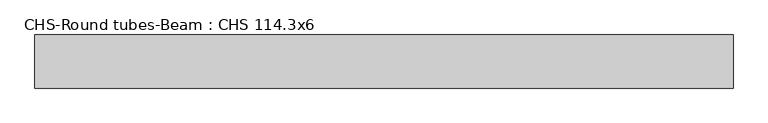
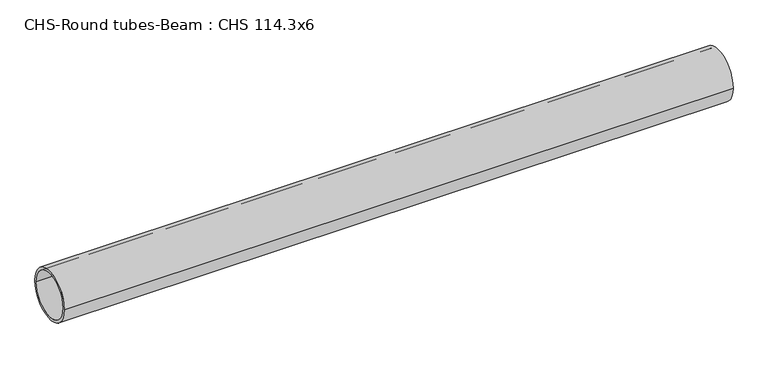
"""IFC4 building model written with IfcOpenShell, lengths in millimetres: beam geometry, CHS-Round tubes-Beam : CHS 114.3x6."""

import ifcopenshell
import ifcopenshell.guid

model = None  # the IFC model being written
_history = None  # IfcOwnerHistory: only IFC2X3 demands one
_inside = {}  # id of a spatial element -> (the spatial element, [elements in it])
_under = {}  # id of a project, library or spatial element -> (it, [spatial elements below it])
_declared = {}  # id of a project -> (the project, [libraries it declares])
_typed = {}  # id of a type object -> (the type object, [elements of that type])
_made_of = {}  # id of a material, layer set ... -> (it, [elements and type objects made of it])


def new_model(schema):
    """Start an empty IFC model of exactly this schema.

    Asked for "IFC4X3", IfcOpenShell would pick the latest addendum, in which some entities
    have other attributes; the version numbers below select the first issue.
    IFC2X3 requires an IfcOwnerHistory on every rooted entity: one is made here for all.
    """
    global model, _history
    if schema == "IFC4X3":
        model = ifcopenshell.file(schema_version=(4, 3, 0, 0))
    else:
        model = ifcopenshell.file(schema=schema)
    _inside.clear()
    _under.clear()
    _declared.clear()
    _typed.clear()
    _made_of.clear()
    _history = None
    if model.schema == "IFC2X3":
        org = make("IfcOrganization", Name="unknown")
        user = make(
            "IfcPersonAndOrganization",
            ThePerson=make("IfcPerson", FamilyName="unknown"),
            TheOrganization=org,
        )
        app = make(
            "IfcApplication",
            ApplicationDeveloper=org,
            Version="unknown",
            ApplicationFullName="unknown",
            ApplicationIdentifier="unknown",
        )
        _history = make(
            "IfcOwnerHistory",
            OwningUser=user,
            OwningApplication=app,
            ChangeAction="ADDED",
            CreationDate=0,
        )
    return model


def make(cls, **values):
    """One entity of the class cls with the attributes given. An attribute that is None is left unset."""
    return model.create_entity(
        cls, **{name: value for name, value in values.items() if value is not None}
    )


def rooted(cls, **values):
    """An entity with a GlobalId (a new one), such as an element, a storey or a relation."""
    return make(cls, GlobalId=ifcopenshell.guid.new(), OwnerHistory=_history, **values)


def si_unit(unit_type, name, prefix=None):
    """IfcSIUnit, for example si_unit("LENGTHUNIT", "METRE", prefix="MILLI")."""
    return make("IfcSIUnit", UnitType=unit_type, Prefix=prefix, Name=name)


def assignment(units):
    """IfcUnitAssignment: the units of a project."""
    return None if units is None else make("IfcUnitAssignment", Units=units)


def point(xyz):
    """IfcCartesianPoint."""
    return None if xyz is None else make("IfcCartesianPoint", Coordinates=xyz)


def direction(xyz):
    """IfcDirection."""
    return None if xyz is None else make("IfcDirection", DirectionRatios=xyz)


def frame(location, z_axis=None, x_axis=None):
    """IfcAxis2Placement3D, a coordinate frame: its origin and axes. An axis left out is left unset."""
    return make(
        "IfcAxis2Placement3D",
        Location=point(location),
        Axis=direction(z_axis),
        RefDirection=direction(x_axis),
    )


def frame_2d(location, x_axis=None):
    """IfcAxis2Placement2D, a coordinate frame in the plane: its origin and x axis."""
    return make(
        "IfcAxis2Placement2D", Location=point(location), RefDirection=direction(x_axis)
    )


def origin():
    """The frame at (0, 0, 0) with its axes left unset."""
    return frame((0.0, 0.0, 0.0))


def origin_2d():
    """The frame at (0, 0) in the plane with its x axis left unset."""
    return frame_2d((0.0, 0.0))


def place(relative_to, where):
    """IfcLocalPlacement: puts the frame where relative to a parent placement (None: the world)."""
    return make(
        "IfcLocalPlacement", PlacementRelTo=relative_to, RelativePlacement=where
    )


def context(
    kind, dimensions, precision=None, world=None, true_north=None, identifier=None
):
    """IfcGeometricRepresentationContext, for example the 3D "Model" context."""
    return make(
        "IfcGeometricRepresentationContext",
        ContextIdentifier=identifier,
        ContextType=kind,
        CoordinateSpaceDimension=dimensions,
        Precision=precision,
        WorldCoordinateSystem=world,
        TrueNorth=true_north,
    )


def project(units=None, contexts=None):
    """IfcProject with its units and contexts."""
    return rooted(
        "IfcProject",
        Name="project",
        RepresentationContexts=contexts,
        UnitsInContext=assignment(units),
    )


def spatial(cls, under=None, at=None, **own):
    """A site, building, storey or space (cls), placed at a placement, below another one or the project."""
    s = rooted(cls, ObjectPlacement=at, **own)
    if under is not None:
        _under.setdefault(under.id(), (under, []))[1].append(s)
    return s


def circle_curve(where, radius):
    """IfcCircle in the frame where."""
    return make("IfcCircle", Position=where, Radius=radius)


def trimmed(basis, trim1, trim2, sense, master):
    """IfcTrimmedCurve: the piece of a basis curve between two trims."""
    return make(
        "IfcTrimmedCurve",
        BasisCurve=basis,
        Trim1=trim1,
        Trim2=trim2,
        SenseAgreement=sense,
        MasterRepresentation=master,
    )


def segment(curve, same_sense, transition):
    """IfcCompositeCurveSegment."""
    return make(
        "IfcCompositeCurveSegment",
        Transition=transition,
        SameSense=same_sense,
        ParentCurve=curve,
    )


def composite_curve(segments, self_intersect=None):
    """IfcCompositeCurve: segments joined end to end."""
    return make("IfcCompositeCurve", Segments=segments, SelfIntersect=self_intersect)


def outline(outer, holes=None, kind="AREA"):
    """IfcArbitraryClosedProfileDef: a profile drawn as a closed curve; with holes, ...WithVoids."""
    if holes is None:
        return make("IfcArbitraryClosedProfileDef", ProfileType=kind, OuterCurve=outer)
    return make(
        "IfcArbitraryProfileDefWithVoids",
        ProfileType=kind,
        OuterCurve=outer,
        InnerCurves=holes,
    )


def extrude(swept, where, along, depth):
    """IfcExtrudedAreaSolid: the profile swept, set in the frame where, extruded along a direction by depth."""
    return make(
        "IfcExtrudedAreaSolid",
        SweptArea=swept,
        Position=where,
        ExtrudedDirection=direction(along),
        Depth=depth,
    )


def shape(context_of_items, identifier, shape_type, items):
    """IfcShapeRepresentation: the items that make up one representation, for example the "Body"."""
    return make(
        "IfcShapeRepresentation",
        ContextOfItems=context_of_items,
        RepresentationIdentifier=identifier,
        RepresentationType=shape_type,
        Items=items,
    )


def source(mapping_origin, context_of_items, identifier, shape_type, items):
    """IfcRepresentationMap: a shape defined once, which mapped items show again and again."""
    return make(
        "IfcRepresentationMap",
        MappingOrigin=mapping_origin,
        MappedRepresentation=shape(context_of_items, identifier, shape_type, items),
    )


def transform(
    local_origin,
    x_axis=None,
    y_axis=None,
    z_axis=None,
    scale=None,
    scale2=None,
    scale3=None,
    uniform=True,
):
    """IfcCartesianTransformationOperator3D, or its non-uniform kind. x_axis, y_axis, z_axis: its Axis1, 2, 3."""
    if uniform:
        return make(
            "IfcCartesianTransformationOperator3D",
            Axis1=direction(x_axis),
            Axis2=direction(y_axis),
            LocalOrigin=point(local_origin),
            Scale=scale,
            Axis3=direction(z_axis),
        )
    return make(
        "IfcCartesianTransformationOperator3DnonUniform",
        Axis1=direction(x_axis),
        Axis2=direction(y_axis),
        LocalOrigin=point(local_origin),
        Scale=scale,
        Axis3=direction(z_axis),
        Scale2=scale2,
        Scale3=scale3,
    )


def mapped(mapping_source, mapping_target):
    """IfcMappedItem: shows the shape of a source again, moved by a transform."""
    return make(
        "IfcMappedItem", MappingSource=mapping_source, MappingTarget=mapping_target
    )


def made_of(thing, what):
    """Note that an element or type object is made of a material, layer set ...; save() writes the relation."""
    if what is not None:
        _made_of.setdefault(what.id(), (what, []))[1].append(thing)
    return thing


def element(
    cls,
    number,
    at=None,
    inside=None,
    cuts=None,
    type_object=None,
    material=None,
    context=None,
    identifier="Body",
    shape_type=None,
    held_by="IfcProductDefinitionShape",
    body=None,
    shapes=None,
    **own,
):
    """One element of the class cls, such as IfcWall. Its Tag is "e" and its number.

    at: its placement. inside: the storey or other place that contains it. cuts: it is an
    opening in that element (IfcRelVoidsElement). A single representation is given by context,
    identifier, shape_type and body (its items); several are given by shapes. held_by: the class
    of the entity that holds the representations. save() writes the other relations.
    """
    e = rooted(cls, Tag="e%d" % number, ObjectPlacement=at, **own)
    if body is not None:
        shapes = [shape(context, identifier, shape_type, body)]
    if shapes is not None:
        e.Representation = make(held_by, Representations=shapes)
    if inside is not None:
        _inside.setdefault(inside.id(), (inside, []))[1].append(e)
    if cuts is not None:
        rooted(
            "IfcRelVoidsElement", RelatingBuildingElement=cuts, RelatedOpeningElement=e
        )
    if type_object is not None:
        _typed.setdefault(type_object.id(), (type_object, []))[1].append(e)
    return made_of(e, material)


def aggregate(whole, parts):
    """IfcRelAggregates: a whole, such as a stair, and the parts it consists of."""
    return rooted("IfcRelAggregates", RelatingObject=whole, RelatedObjects=parts)


def save(model, path):
    """Write the relations noted so far, then the file.

    IfcRelAggregates (storeys below a building ...), IfcRelContainedInSpatialStructure (elements
    in a storey), IfcRelDefinesByType, IfcRelAssociatesMaterial and IfcRelDeclares: one each for
    every whole, place, type object, material and project.
    """
    for whole, parts in _under.values():
        aggregate(whole, parts)
    for where, things in _inside.values():
        rooted(
            "IfcRelContainedInSpatialStructure",
            RelatedElements=things,
            RelatingStructure=where,
        )
    for kind, things in _typed.values():
        rooted("IfcRelDefinesByType", RelatedObjects=things, RelatingType=kind)
    for what, things in _made_of.values():
        rooted("IfcRelAssociatesMaterial", RelatedObjects=things, RelatingMaterial=what)
    for by, libraries in _declared.values():
        rooted("IfcRelDeclares", RelatingContext=by, RelatedDefinitions=libraries)
    model.write(path)


def chs_round_tubes_beam_chs_114_3x6_1e1b4807(model_context):
    return source(origin(), model_context, "Body", "SweptSolid", [
        extrude(outline(composite_curve([segment(trimmed(circle_curve(origin_2d(), 57.15), [point((57.15, 0.0))], [point((-57.15, 0.0))], False, "CARTESIAN"), True, "CONTINUOUS"), segment(trimmed(circle_curve(origin_2d(), 57.15), [point((-57.15, 0.0))], [point((57.15, 0.0))], False, "CARTESIAN"), True, "CONTINUOUS")], self_intersect=False), holes=[composite_curve([segment(trimmed(circle_curve(origin_2d(), 51.15), [point((51.15, 0.0))], [point((-51.15, 0.0))], True, "CARTESIAN"), True, "CONTINUOUS"), segment(trimmed(circle_curve(origin_2d(), 51.15), [point((-51.15, 0.0))], [point((51.15, 0.0))], True, "CARTESIAN"), True, "CONTINUOUS")], self_intersect=False)]), frame((-720.3075696, 0.0, 0.0), z_axis=(1.0, 0.0, 0.0), x_axis=(0.0, 1.0, 0.0)), (0.0, 0.0, 1.0), 1501.064015),
    ])


if __name__ == "__main__":
    model = new_model("IFC4")
    model_context = context("Model", 3, world=origin())
    ifc_project = project(units=[si_unit("LENGTHUNIT", "METRE", prefix="MILLI")], contexts=[model_context])
    site = spatial("IfcSite", under=ifc_project)
    building = spatial("IfcBuilding", under=site)
    placement = place(None, origin())
    chs_round_tubes_beam_chs_114_3x6_shape = chs_round_tubes_beam_chs_114_3x6_1e1b4807(model_context)
    element("IfcBeam", 1, ObjectType="CHS-Round tubes-Beam : CHS 114.3x6", at=placement, inside=building, context=model_context, shape_type="MappedRepresentation", body=[
        mapped(chs_round_tubes_beam_chs_114_3x6_shape, transform((0.0, 0.0, 0.0), x_axis=(1.0, 0.0, 0.0), y_axis=(0.0, 1.0, 0.0), z_axis=(0.0, 0.0, 1.0))),
    ])
    save(model, "model.ifc")
